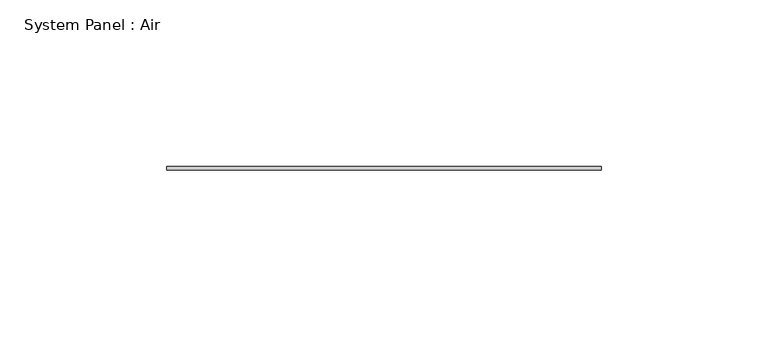
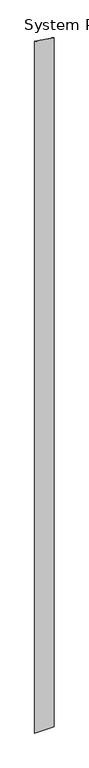
"""IFC4 building model written with IfcOpenShell, lengths in millimetres: plate geometry, System Panel : Air."""

from ifc_helpers import new_model, si_unit, frame, origin, place, context, project, spatial, polyline, outline, extrude, source, transform, mapped, element, save


def system_panel_air_0cb8a24a(model_context):
    return source(origin(), model_context, "Body", "SweptSolid", [
        extrude(outline(polyline([(0.0, -65.0), (0.0, 65.0), (4955.5951289, 65.0), (4974.8296132, -65.0), (0.0, -65.0)])), frame((0.0, 36.5, 0.0), z_axis=(0.0, 1.0, 0.0), x_axis=(0.0, 0.0, 1.0)), (0.0, 0.0, 1.0), 1.0),
    ])


if __name__ == "__main__":
    model = new_model("IFC4")
    model_context = context("Model", 3, world=origin())
    ifc_project = project(units=[si_unit("LENGTHUNIT", "METRE", prefix="MILLI")], contexts=[model_context])
    site = spatial("IfcSite", under=ifc_project)
    building = spatial("IfcBuilding", under=site)
    placement = place(None, origin())
    system_panel_air_shape = system_panel_air_0cb8a24a(model_context)
    element("IfcPlate", 1, ObjectType="System Panel : Air", at=placement, inside=building, context=model_context, shape_type="MappedRepresentation", body=[
        mapped(system_panel_air_shape, transform((0.0, 0.0, 0.0), x_axis=(1.0, 0.0, 0.0), y_axis=(0.0, 1.0, 0.0), z_axis=(0.0, 0.0, 1.0))),
    ])
    save(model, "model.ifc")
